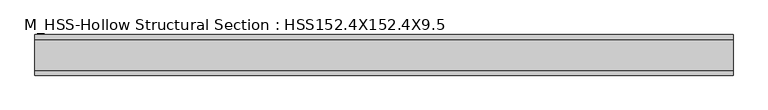
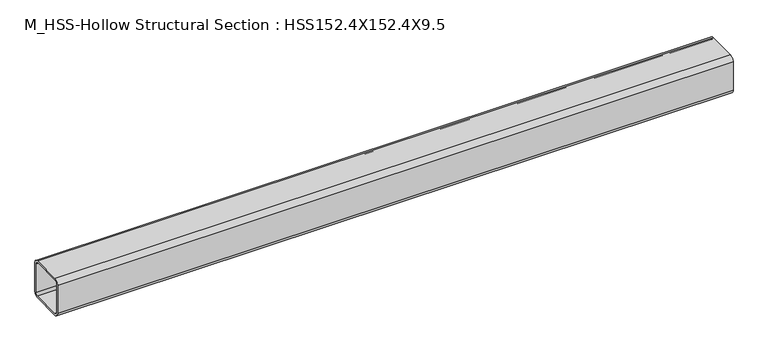
"""IFC4 building model written with IfcOpenShell, lengths in millimetres: member geometry, M_HSS-Hollow Structural Section : HSS152.4X152.4X9.5."""

from ifc_helpers import new_model, si_unit, point, frame, frame_2d, origin, place, context, project, spatial, polyline, circle_curve, trimmed, segment, composite_curve, outline, extrude, source, transform, mapped, element, save


def m_hss_hollow_structural_section_hss152_4x152_4x9_5_e38410fe(model_context):
    return source(origin(), model_context, "Body", "SweptSolid", [
        extrude(outline(composite_curve([segment(polyline([(76.0, 58.2), (76.0, -58.2)]), True, "CONTINUOUS"), segment(trimmed(circle_curve(frame_2d((58.2, -58.2)), 17.8), [point((76.0, -58.2))], [point((58.2, -76.0))], False, "CARTESIAN"), True, "CONTINUOUS"), segment(polyline([(58.2, -76.0), (-58.2, -76.0)]), True, "CONTINUOUS"), segment(trimmed(circle_curve(frame_2d((-58.2, -58.2)), 17.8), [point((-58.2, -76.0))], [point((-76.0, -58.2))], False, "CARTESIAN"), True, "CONTINUOUS"), segment(polyline([(-76.0, -58.2), (-76.0, 58.2)]), True, "CONTINUOUS"), segment(trimmed(circle_curve(frame_2d((-58.2, 58.2)), 17.8), [point((-76.0, 58.2))], [point((-58.2, 76.0))], False, "CARTESIAN"), True, "CONTINUOUS"), segment(polyline([(-58.2, 76.0), (58.2, 76.0)]), True, "CONTINUOUS"), segment(trimmed(circle_curve(frame_2d((58.2, 58.2)), 17.8), [point((58.2, 76.0))], [point((76.0, 58.2))], False, "CARTESIAN"), True, "CONTINUOUS")], self_intersect=False), holes=[composite_curve([segment(trimmed(circle_curve(frame_2d((-58.2, 58.2)), 8.9), [point((-58.2, 67.1))], [point((-67.1, 58.2))], True, "CARTESIAN"), True, "CONTINUOUS"), segment(polyline([(-67.1, 58.2), (-67.1, -58.2)]), True, "CONTINUOUS"), segment(trimmed(circle_curve(frame_2d((-58.2, -58.2)), 8.9), [point((-67.1, -58.2))], [point((-58.2, -67.1))], True, "CARTESIAN"), True, "CONTINUOUS"), segment(polyline([(-58.2, -67.1), (58.2, -67.1)]), True, "CONTINUOUS"), segment(trimmed(circle_curve(frame_2d((58.2, -58.2)), 8.9), [point((58.2, -67.1))], [point((67.1, -58.2))], True, "CARTESIAN"), True, "CONTINUOUS"), segment(polyline([(67.1, -58.2), (67.1, 58.2)]), True, "CONTINUOUS"), segment(trimmed(circle_curve(frame_2d((58.2, 58.2)), 8.9), [point((67.1, 58.2))], [point((58.2, 67.1))], True, "CARTESIAN"), True, "CONTINUOUS"), segment(polyline([(58.2, 67.1), (-58.2, 67.1)]), True, "CONTINUOUS")], self_intersect=False)]), frame((-1305.6, 0.0, 0.0), z_axis=(1.0, 0.0, 0.0), x_axis=(0.0, 1.0, 0.0)), (0.0, 0.0, 1.0), 2611.2),
    ])


if __name__ == "__main__":
    model = new_model("IFC4")
    model_context = context("Model", 3, world=origin())
    ifc_project = project(units=[si_unit("LENGTHUNIT", "METRE", prefix="MILLI")], contexts=[model_context])
    site = spatial("IfcSite", under=ifc_project)
    building = spatial("IfcBuilding", under=site)
    placement = place(None, origin())
    m_hss_hollow_structural_section_hss152_4x152_4x9_5_shape = m_hss_hollow_structural_section_hss152_4x152_4x9_5_e38410fe(model_context)
    element("IfcMember", 1, ObjectType="M_HSS-Hollow Structural Section : HSS152.4X152.4X9.5", at=placement, inside=building, context=model_context, shape_type="MappedRepresentation", body=[
        mapped(m_hss_hollow_structural_section_hss152_4x152_4x9_5_shape, transform((0.0, 0.0, 0.0), x_axis=(1.0, 0.0, 0.0), y_axis=(0.0, 1.0, 0.0), z_axis=(0.0, 0.0, 1.0))),
    ])
    save(model, "model.ifc")
